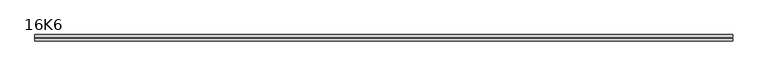
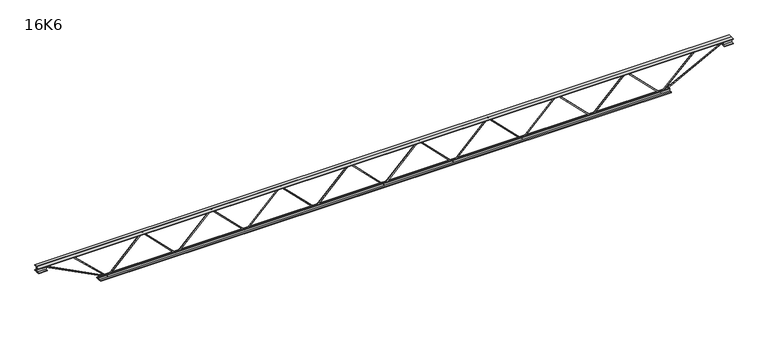
"""IFC4 building model written with IfcOpenShell, lengths in millimetres: beam geometry, 16K6."""

import ifcopenshell
import ifcopenshell.guid

model = None  # the IFC model being written
_history = None  # IfcOwnerHistory: only IFC2X3 demands one
_inside = {}  # id of a spatial element -> (the spatial element, [elements in it])
_under = {}  # id of a project, library or spatial element -> (it, [spatial elements below it])
_declared = {}  # id of a project -> (the project, [libraries it declares])
_typed = {}  # id of a type object -> (the type object, [elements of that type])
_made_of = {}  # id of a material, layer set ... -> (it, [elements and type objects made of it])


def new_model(schema):
    """Start an empty IFC model of exactly this schema.

    Asked for "IFC4X3", IfcOpenShell would pick the latest addendum, in which some entities
    have other attributes; the version numbers below select the first issue.
    IFC2X3 requires an IfcOwnerHistory on every rooted entity: one is made here for all.
    """
    global model, _history
    if schema == "IFC4X3":
        model = ifcopenshell.file(schema_version=(4, 3, 0, 0))
    else:
        model = ifcopenshell.file(schema=schema)
    _inside.clear()
    _under.clear()
    _declared.clear()
    _typed.clear()
    _made_of.clear()
    _history = None
    if model.schema == "IFC2X3":
        org = make("IfcOrganization", Name="unknown")
        user = make(
            "IfcPersonAndOrganization",
            ThePerson=make("IfcPerson", FamilyName="unknown"),
            TheOrganization=org,
        )
        app = make(
            "IfcApplication",
            ApplicationDeveloper=org,
            Version="unknown",
            ApplicationFullName="unknown",
            ApplicationIdentifier="unknown",
        )
        _history = make(
            "IfcOwnerHistory",
            OwningUser=user,
            OwningApplication=app,
            ChangeAction="ADDED",
            CreationDate=0,
        )
    return model


def make(cls, **values):
    """One entity of the class cls with the attributes given. An attribute that is None is left unset."""
    return model.create_entity(
        cls, **{name: value for name, value in values.items() if value is not None}
    )


def rooted(cls, **values):
    """An entity with a GlobalId (a new one), such as an element, a storey or a relation."""
    return make(cls, GlobalId=ifcopenshell.guid.new(), OwnerHistory=_history, **values)


def si_unit(unit_type, name, prefix=None):
    """IfcSIUnit, for example si_unit("LENGTHUNIT", "METRE", prefix="MILLI")."""
    return make("IfcSIUnit", UnitType=unit_type, Prefix=prefix, Name=name)


def assignment(units):
    """IfcUnitAssignment: the units of a project."""
    return None if units is None else make("IfcUnitAssignment", Units=units)


def point(xyz):
    """IfcCartesianPoint."""
    return None if xyz is None else make("IfcCartesianPoint", Coordinates=xyz)


def direction(xyz):
    """IfcDirection."""
    return None if xyz is None else make("IfcDirection", DirectionRatios=xyz)


def frame(location, z_axis=None, x_axis=None):
    """IfcAxis2Placement3D, a coordinate frame: its origin and axes. An axis left out is left unset."""
    return make(
        "IfcAxis2Placement3D",
        Location=point(location),
        Axis=direction(z_axis),
        RefDirection=direction(x_axis),
    )


def origin():
    """The frame at (0, 0, 0) with its axes left unset."""
    return frame((0.0, 0.0, 0.0))


def place(relative_to, where):
    """IfcLocalPlacement: puts the frame where relative to a parent placement (None: the world)."""
    return make(
        "IfcLocalPlacement", PlacementRelTo=relative_to, RelativePlacement=where
    )


def context(
    kind, dimensions, precision=None, world=None, true_north=None, identifier=None
):
    """IfcGeometricRepresentationContext, for example the 3D "Model" context."""
    return make(
        "IfcGeometricRepresentationContext",
        ContextIdentifier=identifier,
        ContextType=kind,
        CoordinateSpaceDimension=dimensions,
        Precision=precision,
        WorldCoordinateSystem=world,
        TrueNorth=true_north,
    )


def project(units=None, contexts=None):
    """IfcProject with its units and contexts."""
    return rooted(
        "IfcProject",
        Name="project",
        RepresentationContexts=contexts,
        UnitsInContext=assignment(units),
    )


def spatial(cls, under=None, at=None, **own):
    """A site, building, storey or space (cls), placed at a placement, below another one or the project."""
    s = rooted(cls, ObjectPlacement=at, **own)
    if under is not None:
        _under.setdefault(under.id(), (under, []))[1].append(s)
    return s


def polyline(points):
    """IfcPolyline through the points."""
    return make("IfcPolyline", Points=[point(p) for p in points])


def outline(outer, holes=None, kind="AREA"):
    """IfcArbitraryClosedProfileDef: a profile drawn as a closed curve; with holes, ...WithVoids."""
    if holes is None:
        return make("IfcArbitraryClosedProfileDef", ProfileType=kind, OuterCurve=outer)
    return make(
        "IfcArbitraryProfileDefWithVoids",
        ProfileType=kind,
        OuterCurve=outer,
        InnerCurves=holes,
    )


def extrude(swept, where, along, depth):
    """IfcExtrudedAreaSolid: the profile swept, set in the frame where, extruded along a direction by depth."""
    return make(
        "IfcExtrudedAreaSolid",
        SweptArea=swept,
        Position=where,
        ExtrudedDirection=direction(along),
        Depth=depth,
    )


def shape(context_of_items, identifier, shape_type, items):
    """IfcShapeRepresentation: the items that make up one representation, for example the "Body"."""
    return make(
        "IfcShapeRepresentation",
        ContextOfItems=context_of_items,
        RepresentationIdentifier=identifier,
        RepresentationType=shape_type,
        Items=items,
    )


def source(mapping_origin, context_of_items, identifier, shape_type, items):
    """IfcRepresentationMap: a shape defined once, which mapped items show again and again."""
    return make(
        "IfcRepresentationMap",
        MappingOrigin=mapping_origin,
        MappedRepresentation=shape(context_of_items, identifier, shape_type, items),
    )


def transform(
    local_origin,
    x_axis=None,
    y_axis=None,
    z_axis=None,
    scale=None,
    scale2=None,
    scale3=None,
    uniform=True,
):
    """IfcCartesianTransformationOperator3D, or its non-uniform kind. x_axis, y_axis, z_axis: its Axis1, 2, 3."""
    if uniform:
        return make(
            "IfcCartesianTransformationOperator3D",
            Axis1=direction(x_axis),
            Axis2=direction(y_axis),
            LocalOrigin=point(local_origin),
            Scale=scale,
            Axis3=direction(z_axis),
        )
    return make(
        "IfcCartesianTransformationOperator3DnonUniform",
        Axis1=direction(x_axis),
        Axis2=direction(y_axis),
        LocalOrigin=point(local_origin),
        Scale=scale,
        Axis3=direction(z_axis),
        Scale2=scale2,
        Scale3=scale3,
    )


def mapped(mapping_source, mapping_target):
    """IfcMappedItem: shows the shape of a source again, moved by a transform."""
    return make(
        "IfcMappedItem", MappingSource=mapping_source, MappingTarget=mapping_target
    )


def made_of(thing, what):
    """Note that an element or type object is made of a material, layer set ...; save() writes the relation."""
    if what is not None:
        _made_of.setdefault(what.id(), (what, []))[1].append(thing)
    return thing


def element(
    cls,
    number,
    at=None,
    inside=None,
    cuts=None,
    type_object=None,
    material=None,
    context=None,
    identifier="Body",
    shape_type=None,
    held_by="IfcProductDefinitionShape",
    body=None,
    shapes=None,
    **own,
):
    """One element of the class cls, such as IfcWall. Its Tag is "e" and its number.

    at: its placement. inside: the storey or other place that contains it. cuts: it is an
    opening in that element (IfcRelVoidsElement). A single representation is given by context,
    identifier, shape_type and body (its items); several are given by shapes. held_by: the class
    of the entity that holds the representations. save() writes the other relations.
    """
    e = rooted(cls, Tag="e%d" % number, ObjectPlacement=at, **own)
    if body is not None:
        shapes = [shape(context, identifier, shape_type, body)]
    if shapes is not None:
        e.Representation = make(held_by, Representations=shapes)
    if inside is not None:
        _inside.setdefault(inside.id(), (inside, []))[1].append(e)
    if cuts is not None:
        rooted(
            "IfcRelVoidsElement", RelatingBuildingElement=cuts, RelatedOpeningElement=e
        )
    if type_object is not None:
        _typed.setdefault(type_object.id(), (type_object, []))[1].append(e)
    return made_of(e, material)


def aggregate(whole, parts):
    """IfcRelAggregates: a whole, such as a stair, and the parts it consists of."""
    return rooted("IfcRelAggregates", RelatingObject=whole, RelatedObjects=parts)


def save(model, path):
    """Write the relations noted so far, then the file.

    IfcRelAggregates (storeys below a building ...), IfcRelContainedInSpatialStructure (elements
    in a storey), IfcRelDefinesByType, IfcRelAssociatesMaterial and IfcRelDeclares: one each for
    every whole, place, type object, material and project.
    """
    for whole, parts in _under.values():
        aggregate(whole, parts)
    for where, things in _inside.values():
        rooted(
            "IfcRelContainedInSpatialStructure",
            RelatedElements=things,
            RelatingStructure=where,
        )
    for kind, things in _typed.values():
        rooted("IfcRelDefinesByType", RelatedObjects=things, RelatingType=kind)
    for what, things in _made_of.values():
        rooted("IfcRelAssociatesMaterial", RelatedObjects=things, RelatingMaterial=what)
    for by, libraries in _declared.values():
        rooted("IfcRelDeclares", RelatingContext=by, RelatedDefinitions=libraries)
    model.write(path)


def beam_16k6_d8b69479(model_context):
    return source(origin(), model_context, "Body", "SweptSolid", [
        extrude(outline(polyline([(-191.9, 1589.0), (-201.4, 1589.0), (-201.4, 1594.1510354), (191.9, 1985.0510354), (191.9, 1987.4489646), (-201.4, 2378.3489646), (-201.4, 2383.5), (-191.9, 2383.5), (-191.9, 2382.3010354), (201.4, 1991.4010354), (201.4, 1981.0989646), (-191.9, 1590.1989646), (-191.9, 1589.0)])), frame((0.0, -4.75, 0.0), z_axis=(0.0, 1.0, 0.0), x_axis=(0.0, 0.0, 1.0)), (0.0, 0.0, 1.0), 9.5),
        extrude(outline(polyline([(-191.9, 794.5), (-201.4, 794.5), (-201.4, 799.6510354), (191.9, 1190.5510354), (191.9, 1192.9489646), (-201.4, 1583.8489646), (-201.4, 1589.0), (-191.9, 1589.0), (-191.9, 1587.8010354), (201.4, 1196.9010354), (201.4, 1186.5989646), (-191.9, 795.6989646), (-191.9, 794.5)])), frame((0.0, -4.75, 0.0), z_axis=(0.0, 1.0, 0.0), x_axis=(0.0, 0.0, 1.0)), (0.0, 0.0, 1.0), 9.5),
        extrude(outline(polyline([(-191.9, 0.0), (-201.4, 0.0), (-201.4, 5.1510354), (191.9, 396.0510354), (191.9, 398.4489646), (-201.4, 789.3489646), (-201.4, 794.5), (-191.9, 794.5), (-191.9, 793.3010354), (201.4, 402.4010354), (201.4, 392.0989646), (-191.9, 1.1989646), (-191.9, 0.0)])), frame((0.0, -4.75, 0.0), z_axis=(0.0, 1.0, 0.0), x_axis=(0.0, 0.0, 1.0)), (0.0, 0.0, 1.0), 9.5),
        extrude(outline(polyline([(-191.9, -794.5), (-201.4, -794.5), (-201.4, -789.3489646), (191.9, -398.4489646), (191.9, -396.0510354), (-201.4, -5.1510354), (-201.4, 0.0), (-191.9, 0.0), (-191.9, -1.1989646), (201.4, -392.0989646), (201.4, -402.4010354), (-191.9, -793.3010354), (-191.9, -794.5)])), frame((0.0, -4.75, 0.0), z_axis=(0.0, 1.0, 0.0), x_axis=(0.0, 0.0, 1.0)), (0.0, 0.0, 1.0), 9.5),
        extrude(outline(polyline([(-191.9, -1589.0), (-201.4, -1589.0), (-201.4, -1583.8489646), (191.9, -1192.9489646), (191.9, -1190.5510354), (-201.4, -799.6510354), (-201.4, -794.5), (-191.9, -794.5), (-191.9, -795.6989646), (201.4, -1186.5989646), (201.4, -1196.9010354), (-191.9, -1587.8010354), (-191.9, -1589.0)])), frame((0.0, -4.75, 0.0), z_axis=(0.0, 1.0, 0.0), x_axis=(0.0, 0.0, 1.0)), (0.0, 0.0, 1.0), 9.5),
        extrude(outline(polyline([(-191.9, -2383.5), (-201.4, -2383.5), (-201.4, -2378.3489646), (191.9, -1987.4489646), (191.9, -1985.0510354), (-201.4, -1594.1510354), (-201.4, -1589.0), (-191.9, -1589.0), (-191.9, -1590.1989646), (201.4, -1981.0989646), (201.4, -1991.4010354), (-191.9, -2382.3010354), (-191.9, -2383.5)])), frame((0.0, -4.75, 0.0), z_axis=(0.0, 1.0, 0.0), x_axis=(0.0, 0.0, 1.0)), (0.0, 0.0, 1.0), 9.5),
        extrude(outline(polyline([(-191.9, 2383.5), (-201.4, 2383.5), (-201.4, 2388.6510354), (191.9, 2779.5510354), (191.9, 2781.9489646), (-201.4, 3172.8489646), (-201.4, 3178.0), (-191.9, 3178.0), (-191.9, 3176.8010354), (201.4, 2785.9010354), (201.4, 2775.5989646), (-191.9, 2384.6989646), (-191.9, 2383.5)])), frame((0.0, -4.75, 0.0), z_axis=(0.0, 1.0, 0.0), x_axis=(0.0, 0.0, 1.0)), (0.0, 0.0, 1.0), 9.5),
        extrude(outline(polyline([(-191.9, -3178.0), (-201.4, -3178.0), (-201.4, -3172.8489646), (191.9, -2781.9489646), (191.9, -2779.5510354), (-201.4, -2388.6510354), (-201.4, -2383.5), (-191.9, -2383.5), (-191.9, -2384.6989646), (201.4, -2775.5989646), (201.4, -2785.9010354), (-191.9, -3176.8010354), (-191.9, -3178.0)])), frame((0.0, -4.75, 0.0), z_axis=(0.0, 1.0, 0.0), x_axis=(0.0, 0.0, 1.0)), (0.0, 0.0, 1.0), 9.5),
        extrude(outline(polyline([(4.75, 203.0), (36.75, 203.0), (36.75, 196.5), (11.25, 196.5), (11.25, 171.0), (4.75, 171.0), (4.75, 203.0)])), frame((-3990.0, 0.0, 0.0), z_axis=(1.0, 0.0, 0.0), x_axis=(0.0, 1.0, 0.0)), (0.0, 0.0, 1.0), 7980.0),
        extrude(outline(polyline([(-4.75, 203.0), (-4.75, 171.0), (-11.25, 171.0), (-11.25, 196.5), (-36.75, 196.5), (-36.75, 203.0), (-4.75, 203.0)])), frame((-3990.0, 0.0, 0.0), z_axis=(1.0, 0.0, 0.0), x_axis=(0.0, 1.0, 0.0)), (0.0, 0.0, 1.0), 7980.0),
        extrude(outline(polyline([(-4.75, 139.5), (-36.75, 139.5), (-36.75, 146.0), (-11.25, 146.0), (-11.25, 171.0), (-4.75, 171.0), (-4.75, 139.5)])), frame((-3990.0, 0.0, 0.0), z_axis=(1.0, 0.0, 0.0), x_axis=(0.0, 1.0, 0.0)), (0.0, 0.0, 1.0), 100.0),
        extrude(outline(polyline([(36.75, 139.5), (4.75, 139.5), (4.75, 171.0), (11.25, 171.0), (11.25, 146.0), (36.75, 146.0), (36.75, 139.5)])), frame((-3990.0, 0.0, 0.0), z_axis=(1.0, 0.0, 0.0), x_axis=(0.0, 1.0, 0.0)), (0.0, 0.0, 1.0), 100.0),
        extrude(outline(polyline([(4.75, 139.5), (4.75, 171.0), (11.25, 171.0), (11.25, 146.0), (36.75, 146.0), (36.75, 139.5), (4.75, 139.5)])), frame((3890.0, 0.0, 0.0), z_axis=(1.0, 0.0, 0.0), x_axis=(0.0, 1.0, 0.0)), (0.0, 0.0, 1.0), 100.0),
        extrude(outline(polyline([(-4.75, 139.5), (-36.75, 139.5), (-36.75, 146.0), (-11.25, 146.0), (-11.25, 171.0), (-4.75, 171.0), (-4.75, 139.5)])), frame((3890.0, 0.0, 0.0), z_axis=(1.0, 0.0, 0.0), x_axis=(0.0, 1.0, 0.0)), (0.0, 0.0, 1.0), 100.0),
        extrude(outline(polyline([(4.75, -203.0), (4.75, -171.0), (11.25, -171.0), (11.25, -196.5), (36.75, -196.5), (36.75, -203.0), (4.75, -203.0)])), frame((-3278.0, 0.0, 0.0), z_axis=(1.0, 0.0, 0.0), x_axis=(0.0, 1.0, 0.0)), (0.0, 0.0, 1.0), 6556.0),
        extrude(outline(polyline([(-4.75, -203.0), (-36.75, -203.0), (-36.75, -196.5), (-11.25, -196.5), (-11.25, -171.0), (-4.75, -171.0), (-4.75, -203.0)])), frame((-3278.0, 0.0, 0.0), z_axis=(1.0, 0.0, 0.0), x_axis=(0.0, 1.0, 0.0)), (0.0, 0.0, 1.0), 6556.0),
        extrude(outline(polyline([(-200.8705467, -3180.1793315), (-192.4294533, -3175.8206685), (175.75, -3888.8460208), (175.75, -3990.0), (166.25, -3990.0), (166.25, -3891.1539792), (-200.8705467, -3180.1793315)])), frame((0.0, -4.75, 0.0), z_axis=(0.0, 1.0, 0.0), x_axis=(0.0, 0.0, 1.0)), (0.0, 0.0, 1.0), 9.5),
        extrude(outline(polyline([(188.7, -3595.2071429), (179.2, -3595.2071429), (179.2, -3584.3904787), (-200.1094306, -3181.2549716), (-193.1905694, -3174.7450284), (188.7, -3580.623807), (188.7, -3595.2071429)])), frame((0.0, -4.75, 0.0), z_axis=(0.0, 1.0, 0.0), x_axis=(0.0, 0.0, 1.0)), (0.0, 0.0, 1.0), 9.5),
        extrude(outline(polyline([(0.0, -9.5), (0.0, 0.0), (801.3179909, 0.0), (801.3179909, -9.5), (0.0, -9.5)])), frame((3892.1793315, -4.75, 166.7794533), z_axis=(-0.45880662132449535, 0.0, 0.8885361468329812), x_axis=(-0.8885361468329812, 0.0, -0.45880662132449535)), (0.0, 0.0, 1.0), 9.5),
        extrude(outline(polyline([(0.0, -9.5), (0.0, 0.0), (569.4161194, 0.0), (569.4161194, -9.5), (0.0, -9.5)])), frame((3593.0451465, -4.75, 193.2151124), z_axis=(-0.6907075276347006, 0.0, 0.7231342276982603), x_axis=(-0.7231342276982603, 0.0, -0.6907075276347006)), (0.0, 0.0, 1.0), 9.5),
    ])


if __name__ == "__main__":
    model = new_model("IFC4")
    model_context = context("Model", 3, world=origin())
    ifc_project = project(units=[si_unit("LENGTHUNIT", "METRE", prefix="MILLI")], contexts=[model_context])
    site = spatial("IfcSite", under=ifc_project)
    building = spatial("IfcBuilding", under=site)
    placement = place(None, origin())
    beam_16k6_shape = beam_16k6_d8b69479(model_context)
    element("IfcBeam", 1, ObjectType="16K6", at=placement, inside=building, context=model_context, shape_type="MappedRepresentation", body=[
        mapped(beam_16k6_shape, transform((0.0, 0.0, 0.0), x_axis=(1.0, 0.0, 0.0), y_axis=(0.0, 1.0, 0.0), z_axis=(0.0, 0.0, 1.0))),
    ])
    save(model, "model.ifc")
